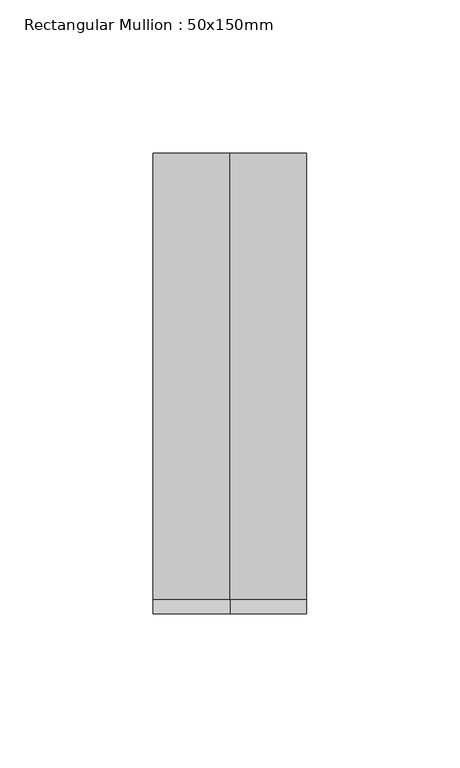
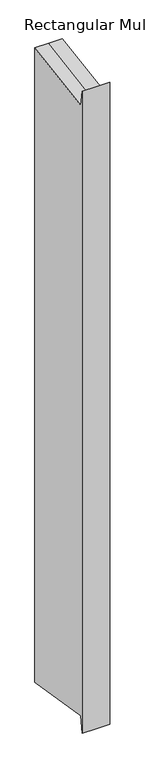
"""IFC4 building model written with IfcOpenShell, lengths in millimetres: member geometry, Rectangular Mullion : 50x150mm."""

from ifc_helpers import new_model, si_unit, origin, place, context, project, spatial, faceted_brep, source, transform, mapped, element, save


def rectangular_mullion_50x150mm_b3fea067(model_context):
    return source(origin(), model_context, "Body", "Brep", [
        faceted_brep([(-25.0, 75.0, 11.5672049), (0.0, 75.0, 11.5672049), (25.0, 75.0, 11.5672049), (25.0, 75.0, -1213.0429252), (0.0, 75.0, -1213.0429252), (-25.0, 75.0, -1213.0429252), (-25.0, -75.0, 19.097372), (-25.0, -70.1657639, -11.4247934), (-25.0, -70.1657639, -1190.0509269), (-25.0, -75.0, -1220.5730923), (25.0, -75.0, 19.097372), (0.0, -75.0, 19.097372), (0.0, -75.0, -1220.5730923), (25.0, -75.0, -1220.5730923), (25.0, -70.1657639, -11.4247934), (25.0, -70.1657639, -1190.0509269), (0.0, -70.1657639, -11.4247934), (0.0, -70.1657639, -1190.0509269)], [[[0, 1, 2, 3, 4, 5]], [[6, 7, 0, 5, 8, 9]], [[10, 11, 6, 9, 12, 13]], [[2, 14, 10, 13, 15, 3]], [[2, 1, 16, 14]], [[1, 0, 7, 16]], [[7, 6, 11, 16]], [[11, 10, 14, 16]], [[3, 15, 17, 4]], [[15, 13, 12, 17]], [[12, 9, 8, 17]], [[8, 5, 4, 17]]]),
    ])


if __name__ == "__main__":
    model = new_model("IFC4")
    model_context = context("Model", 3, world=origin())
    ifc_project = project(units=[si_unit("LENGTHUNIT", "METRE", prefix="MILLI")], contexts=[model_context])
    site = spatial("IfcSite", under=ifc_project)
    building = spatial("IfcBuilding", under=site)
    placement = place(None, origin())
    rectangular_mullion_50x150mm_shape = rectangular_mullion_50x150mm_b3fea067(model_context)
    element("IfcMember", 1, ObjectType="Rectangular Mullion : 50x150mm", at=placement, inside=building, context=model_context, shape_type="MappedRepresentation", body=[
        mapped(rectangular_mullion_50x150mm_shape, transform((0.0, 0.0, 0.0), x_axis=(1.0, 0.0, 0.0), y_axis=(0.0, 1.0, 0.0), z_axis=(0.0, 0.0, 1.0))),
    ])
    save(model, "model.ifc")
